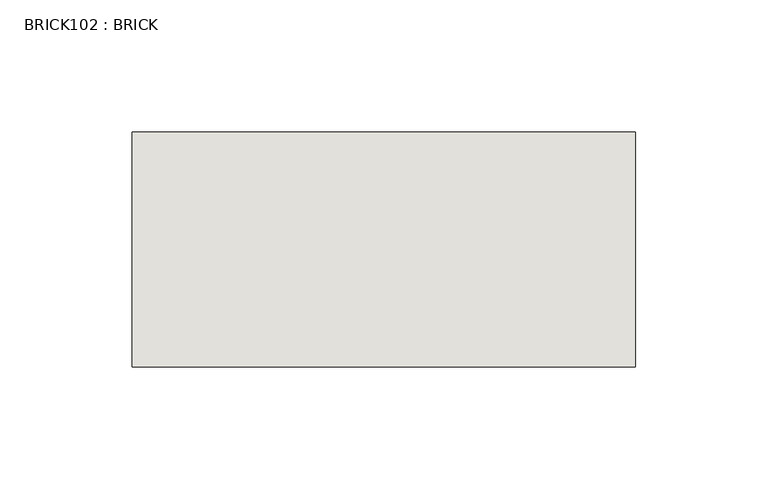
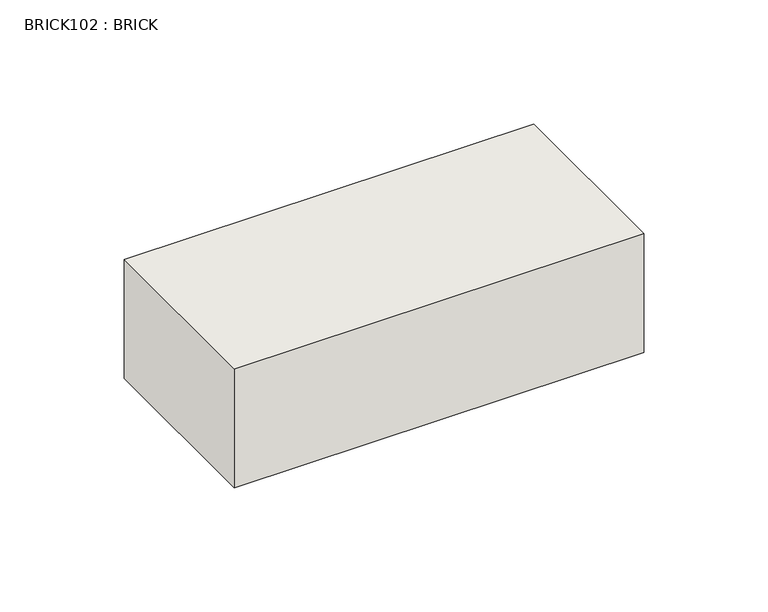
"""IFC4 building model written with IfcOpenShell, lengths in millimetres: wall geometry, BRICK102 : BRICK."""

from ifc_helpers import new_model, si_unit, frame, origin, place, context, project, spatial, polyline, outline, extrude, source, transform, mapped, element, save


def brick102_brick_a91f6a65(model_context):
    return source(origin(), model_context, "Body", "SweptSolid", [
        extrude(outline(polyline([(1138.5272594, 2586.2274125), (1329.0272594, 2586.2274125), (1329.0272594, 2497.3274125), (1138.5272594, 2497.3274125), (1138.5272594, 2586.2274125)])), frame((0.0, 0.0, 283.5671875), z_axis=(0.0, 0.0, 1.0), x_axis=(1.0, 0.0, 0.0)), (0.0, 0.0, 1.0), 58.4398438),
    ])


if __name__ == "__main__":
    model = new_model("IFC4")
    model_context = context("Model", 3, world=origin())
    ifc_project = project(units=[si_unit("LENGTHUNIT", "METRE", prefix="MILLI")], contexts=[model_context])
    site = spatial("IfcSite", under=ifc_project)
    building = spatial("IfcBuilding", under=site)
    placement = place(None, origin())
    brick102_brick_shape = brick102_brick_a91f6a65(model_context)
    element("IfcWall", 1, ObjectType="BRICK102 : BRICK", at=placement, inside=building, context=model_context, shape_type="MappedRepresentation", body=[
        mapped(brick102_brick_shape, transform((0.0, 0.0, 0.0), x_axis=(1.0, 0.0, 0.0), y_axis=(0.0, 1.0, 0.0), z_axis=(0.0, 0.0, 1.0))),
    ])
    save(model, "model.ifc")
